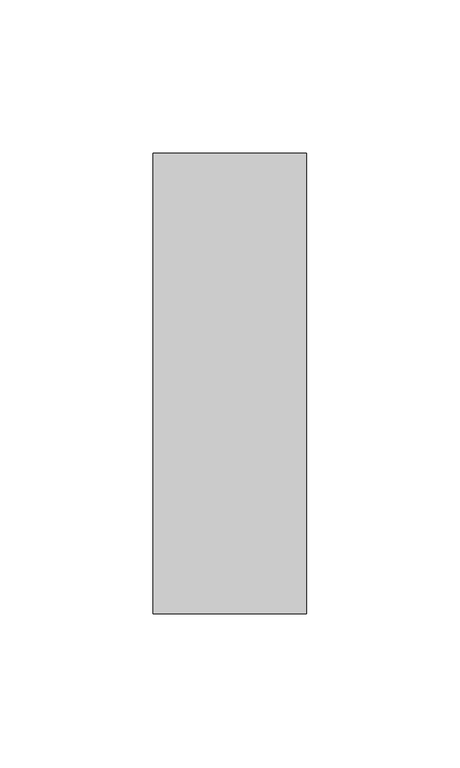
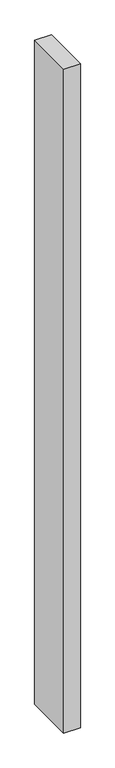
"""IFC4 building model written with IfcOpenShell, lengths in millimetres: member geometry."""

from ifc_helpers import new_model, si_unit, frame, origin, place, context, project, spatial, polyline, outline, extrude, source, transform, mapped, element, save


def member_d81b54b1(model_context):
    return source(origin(), model_context, "Body", "SweptSolid", [
        extrude(outline(polyline([(25.0, 75.0), (25.0, -75.0), (-25.0, -75.0), (-25.0, 75.0), (25.0, 75.0)])), frame((0.0, 0.0, -2100.0), z_axis=(0.0, 0.0, 1.0), x_axis=(1.0, 0.0, 0.0)), (0.0, 0.0, 1.0), 2100.0),
    ])


if __name__ == "__main__":
    model = new_model("IFC4")
    model_context = context("Model", 3, world=origin())
    ifc_project = project(units=[si_unit("LENGTHUNIT", "METRE", prefix="MILLI")], contexts=[model_context])
    site = spatial("IfcSite", under=ifc_project)
    building = spatial("IfcBuilding", under=site)
    placement = place(None, origin())
    member_shape = member_d81b54b1(model_context)
    element("IfcMember", 1, at=placement, inside=building, context=model_context, shape_type="MappedRepresentation", body=[
        mapped(member_shape, transform((0.0, 0.0, 0.0), x_axis=(1.0, 0.0, 0.0), y_axis=(0.0, 1.0, 0.0), z_axis=(0.0, 0.0, 1.0))),
    ])
    save(model, "model.ifc")
